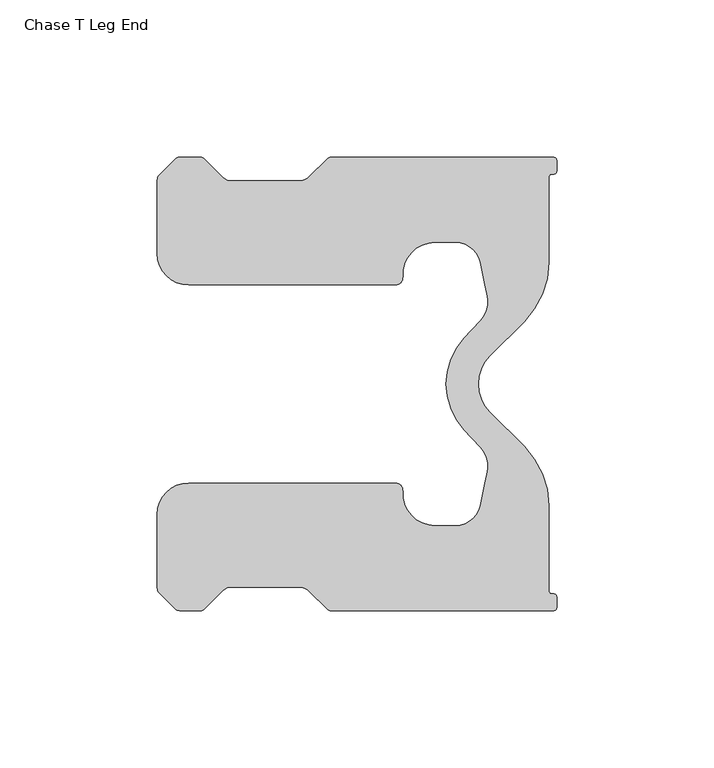
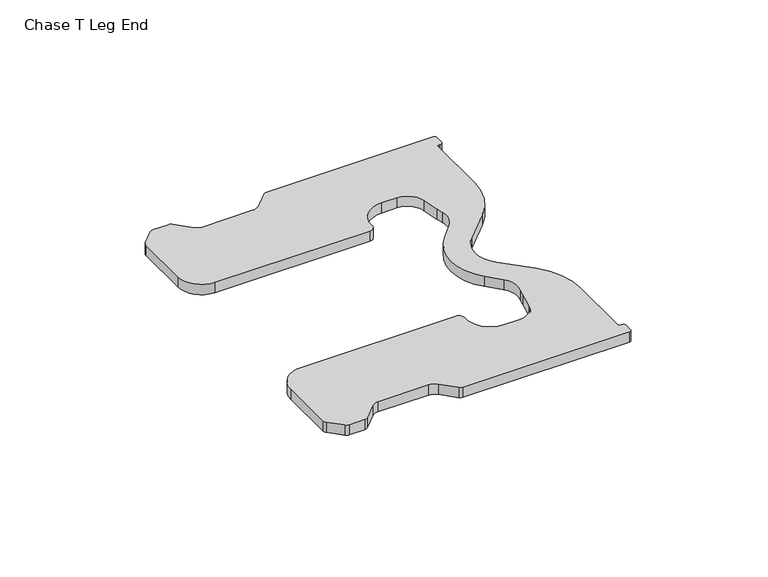
"""IFC4 building model written with IfcOpenShell, lengths in millimetres: furniture geometry, Chase T Leg End."""

from ifc_helpers import new_model, si_unit, point, frame, frame_2d, origin, place, context, project, spatial, polyline, circle_curve, trimmed, segment, composite_curve, outline, extrude, source, transform, mapped, element, save


def chase_t_leg_end_c5913023(model_context):
    return source(origin(), model_context, "Body", "SweptSolid", [
        extrude(outline(composite_curve([segment(trimmed(circle_curve(frame_2d((34.5446923, -65.675002)), 1.0097184), [point((33.5349739, -65.675002))], [point((34.7206277, -66.6692746))], True, "CARTESIAN"), True, "CONTINUOUS"), segment(trimmed(circle_curve(frame_2d((34.9215949, -67.8050099)), 1.1533788), [point((34.7206277, -66.6692746))], [point((36.0749737, -67.8050099))], False, "CARTESIAN"), True, "CONTINUOUS"), segment(polyline([(36.0749737, -67.8050099), (36.0749737, -70.9533783)]), True, "CONTINUOUS"), segment(trimmed(circle_curve(frame_2d((35.02835, -70.9533783)), 1.0466238), [point((36.0749737, -70.9533783))], [point((35.02835, -72.000002))], False, "CARTESIAN"), True, "CONTINUOUS"), segment(polyline([(35.02835, -72.000002), (-35.664531, -72.000002)]), True, "CONTINUOUS"), segment(trimmed(circle_curve(frame_2d((-35.664531, -70.1640069)), 1.8359951), [point((-35.664531, -72.000002))], [point((-36.9627755, -71.4622515))], False, "CARTESIAN"), True, "CONTINUOUS"), segment(polyline([(-36.9627755, -71.4622515), (-42.4586314, -65.9663957)]), True, "CONTINUOUS"), segment(trimmed(circle_curve(frame_2d((-45.9988212, -69.5065855)), 5.0065844), [point((-42.4586314, -65.9663957))], [point((-45.9988212, -64.500001))], True, "CARTESIAN"), True, "CONTINUOUS"), segment(polyline([(-45.9988212, -64.500001), (-67.2964261, -64.500001)]), True, "CONTINUOUS"), segment(trimmed(circle_curve(frame_2d((-67.2964261, -68.4318005)), 3.9317995), [point((-67.2964261, -64.500001))], [point((-70.0766293, -65.6515996))], True, "CARTESIAN"), True, "CONTINUOUS"), segment(polyline([(-70.0766293, -65.6515996), (-75.8847512, -71.4597261)]), True, "CONTINUOUS"), segment(trimmed(circle_curve(frame_2d((-77.1890919, -70.1553863)), 1.8446157), [point((-75.8847512, -71.4597261))], [point((-77.1890919, -72.000002))], False, "CARTESIAN"), True, "CONTINUOUS"), segment(polyline([(-77.1890919, -72.000002), (-83.8318748, -72.000002)]), True, "CONTINUOUS"), segment(trimmed(circle_curve(frame_2d((-83.8318748, -69.9644617)), 2.0355404), [point((-83.8318748, -72.000002))], [point((-85.2712185, -71.4038067))], False, "CARTESIAN"), True, "CONTINUOUS"), segment(polyline([(-85.2712185, -71.4038067), (-90.307659, -66.3673707)]), True, "CONTINUOUS"), segment(trimmed(circle_curve(frame_2d((-88.8172013, -64.8769116)), 2.1078265), [point((-90.307659, -66.3673707))], [point((-90.9250278, -64.8769116))], False, "CARTESIAN"), True, "CONTINUOUS"), segment(polyline([(-90.9250278, -64.8769116), (-90.9250278, -41.4482363)]), True, "CONTINUOUS"), segment(trimmed(circle_curve(frame_2d((-80.9346915, -41.4482363)), 9.9903363), [point((-90.9250278, -41.4482363))], [point((-80.9346915, -31.4579))], False, "CARTESIAN"), True, "CONTINUOUS"), segment(polyline([(-80.9346915, -31.4579), (-15.2287917, -31.4579)]), True, "CONTINUOUS"), segment(trimmed(circle_curve(frame_2d((-15.2287917, -33.818283)), 2.360383), [point((-15.2287917, -31.4579))], [point((-12.8752758, -33.9982032))], False, "CARTESIAN"), True, "CONTINUOUS"), segment(trimmed(circle_curve(frame_2d((-2.6824353, -34.7774196)), 10.2225816), [point((-12.8752758, -33.9982032))], [point((-2.6824353, -45.0000013))], True, "CARTESIAN"), True, "CONTINUOUS"), segment(polyline([(-2.6824353, -45.0000013), (3.948074, -45.0000013)]), True, "CONTINUOUS"), segment(trimmed(circle_curve(frame_2d((3.948074, -37.0416646)), 7.9583367), [point((3.948074, -45.0000013))], [point((11.7494094, -38.6146519))], True, "CARTESIAN"), True, "CONTINUOUS"), segment(polyline([(11.7494094, -38.6146519), (13.1904092, -31.4679171)]), True, "CONTINUOUS"), segment(trimmed(circle_curve(frame_2d((45.2450284, -37.9311066)), 32.699716), [point((13.1904092, -31.4679171))], [point((13.8798023, -28.6848088))], False, "CARTESIAN"), True, "CONTINUOUS"), segment(trimmed(circle_curve(frame_2d((5.3174464, -26.1606729)), 8.9266567), [point((13.8798023, -28.6848088))], [point((11.8459899, -20.0727077))], True, "CARTESIAN"), True, "CONTINUOUS"), segment(polyline([(11.8459899, -20.0727077), (6.6349073, -14.4845058)]), True, "CONTINUOUS"), segment(trimmed(circle_curve(frame_2d((22.1676382, 0.0)), 21.2383294), [point((6.6349073, -14.4845058))], [point((6.6349073, 14.4845058))], False, "CARTESIAN"), True, "CONTINUOUS"), segment(polyline([(6.6349073, 14.4845058), (11.8459899, 20.0727077)]), True, "CONTINUOUS"), segment(trimmed(circle_curve(frame_2d((5.3174464, 26.1606729)), 8.9266567), [point((11.8459899, 20.0727077))], [point((13.8798023, 28.6848088))], True, "CARTESIAN"), True, "CONTINUOUS"), segment(trimmed(circle_curve(frame_2d((45.2450284, 37.9311066)), 32.699716), [point((13.8798023, 28.6848088))], [point((13.1904092, 31.4679171))], False, "CARTESIAN"), True, "CONTINUOUS"), segment(polyline([(13.1904092, 31.4679171), (11.7494094, 38.6146519)]), True, "CONTINUOUS"), segment(trimmed(circle_curve(frame_2d((3.948074, 37.0416646)), 7.9583367), [point((11.7494094, 38.6146519))], [point((3.948074, 45.0000013))], True, "CARTESIAN"), True, "CONTINUOUS"), segment(polyline([(3.948074, 45.0000013), (-2.6824353, 45.0000013)]), True, "CONTINUOUS"), segment(trimmed(circle_curve(frame_2d((-2.6824353, 34.7774196)), 10.2225816), [point((-2.6824353, 45.0000013))], [point((-12.8752758, 33.9982032))], True, "CARTESIAN"), True, "CONTINUOUS"), segment(trimmed(circle_curve(frame_2d((-15.2287917, 33.818283)), 2.360383), [point((-12.8752758, 33.9982032))], [point((-15.2287917, 31.4579))], False, "CARTESIAN"), True, "CONTINUOUS"), segment(polyline([(-15.2287917, 31.4579), (-80.9346915, 31.4579)]), True, "CONTINUOUS"), segment(trimmed(circle_curve(frame_2d((-80.9346915, 41.4482363)), 9.9903363), [point((-80.9346915, 31.4579))], [point((-90.9250278, 41.4482363))], False, "CARTESIAN"), True, "CONTINUOUS"), segment(polyline([(-90.9250278, 41.4482363), (-90.9250278, 64.8769116)]), True, "CONTINUOUS"), segment(trimmed(circle_curve(frame_2d((-88.8172013, 64.8769116)), 2.1078265), [point((-90.9250278, 64.8769116))], [point((-90.307659, 66.3673707))], False, "CARTESIAN"), True, "CONTINUOUS"), segment(polyline([(-90.307659, 66.3673707), (-85.2712185, 71.4038067)]), True, "CONTINUOUS"), segment(trimmed(circle_curve(frame_2d((-83.8318748, 69.9644617)), 2.0355404), [point((-85.2712185, 71.4038067))], [point((-83.8318748, 72.000002))], False, "CARTESIAN"), True, "CONTINUOUS"), segment(polyline([(-83.8318748, 72.000002), (-77.1890919, 72.000002)]), True, "CONTINUOUS"), segment(trimmed(circle_curve(frame_2d((-77.1890919, 70.1553863)), 1.8446157), [point((-77.1890919, 72.000002))], [point((-75.8847512, 71.4597261))], False, "CARTESIAN"), True, "CONTINUOUS"), segment(polyline([(-75.8847512, 71.4597261), (-70.0766293, 65.6515996)]), True, "CONTINUOUS"), segment(trimmed(circle_curve(frame_2d((-67.2964261, 68.4318005)), 3.9317995), [point((-70.0766293, 65.6515996))], [point((-67.2964261, 64.500001))], True, "CARTESIAN"), True, "CONTINUOUS"), segment(polyline([(-67.2964261, 64.500001), (-45.9988212, 64.500001)]), True, "CONTINUOUS"), segment(trimmed(circle_curve(frame_2d((-45.9988212, 69.5065855)), 5.0065844), [point((-45.9988212, 64.500001))], [point((-42.4586314, 65.9663957))], True, "CARTESIAN"), True, "CONTINUOUS"), segment(polyline([(-42.4586314, 65.9663957), (-36.9627755, 71.4622515)]), True, "CONTINUOUS"), segment(trimmed(circle_curve(frame_2d((-35.664531, 70.1640069)), 1.8359951), [point((-36.9627755, 71.4622515))], [point((-35.664531, 72.000002))], False, "CARTESIAN"), True, "CONTINUOUS"), segment(polyline([(-35.664531, 72.000002), (35.02835, 72.000002)]), True, "CONTINUOUS"), segment(trimmed(circle_curve(frame_2d((35.02835, 70.9533783)), 1.0466238), [point((35.02835, 72.000002))], [point((36.0749737, 70.9533783))], False, "CARTESIAN"), True, "CONTINUOUS"), segment(polyline([(36.0749737, 70.9533783), (36.0749737, 67.8050099)]), True, "CONTINUOUS"), segment(trimmed(circle_curve(frame_2d((34.9215949, 67.8050099)), 1.1533788), [point((36.0749737, 67.8050099))], [point((34.7206277, 66.6692746))], False, "CARTESIAN"), True, "CONTINUOUS"), segment(trimmed(circle_curve(frame_2d((34.5446923, 65.675002)), 1.0097184), [point((34.7206277, 66.6692746))], [point((33.5349739, 65.675002))], True, "CARTESIAN"), True, "CONTINUOUS"), segment(polyline([(33.5349739, 65.675002), (33.5349739, 38.682796)]), True, "CONTINUOUS"), segment(trimmed(circle_curve(frame_2d((6.8696827, 38.682796)), 26.6652912), [point((33.5349739, 38.682796))], [point((25.7248914, 19.8275882))], False, "CARTESIAN"), True, "CONTINUOUS"), segment(polyline([(25.7248914, 19.8275882), (14.8775596, 8.9802559)]), True, "CONTINUOUS"), segment(trimmed(circle_curve(frame_2d((23.8578159, 0.0)), 12.7), [point((14.8775596, 8.9802559))], [point((14.8775596, -8.9802559))], True, "CARTESIAN"), True, "CONTINUOUS"), segment(polyline([(14.8775596, -8.9802559), (25.7248914, -19.8275882)]), True, "CONTINUOUS"), segment(trimmed(circle_curve(frame_2d((6.8696827, -38.682796)), 26.6652912), [point((25.7248914, -19.8275882))], [point((33.5349739, -38.682796))], False, "CARTESIAN"), True, "CONTINUOUS"), segment(polyline([(33.5349739, -38.682796), (33.5349739, -65.675002)]), True, "CONTINUOUS")], self_intersect=False)), frame((0.0, 0.0, 620.6490349), z_axis=(0.0, 0.0, 1.0), x_axis=(1.0, 0.0, 0.0)), (0.0, 0.0, 1.0), 4.5719593),
    ])


if __name__ == "__main__":
    model = new_model("IFC4")
    model_context = context("Model", 3, world=origin())
    ifc_project = project(units=[si_unit("LENGTHUNIT", "METRE", prefix="MILLI")], contexts=[model_context])
    site = spatial("IfcSite", under=ifc_project)
    building = spatial("IfcBuilding", under=site)
    placement = place(None, origin())
    chase_t_leg_end_shape = chase_t_leg_end_c5913023(model_context)
    element("IfcFurniture", 1, ObjectType="Chase T Leg End", at=placement, inside=building, context=model_context, shape_type="MappedRepresentation", body=[
        mapped(chase_t_leg_end_shape, transform((0.0, 0.0, 0.0), x_axis=(1.0, 0.0, 0.0), y_axis=(0.0, 1.0, 0.0), z_axis=(0.0, 0.0, 1.0))),
    ])
    save(model, "model.ifc")
